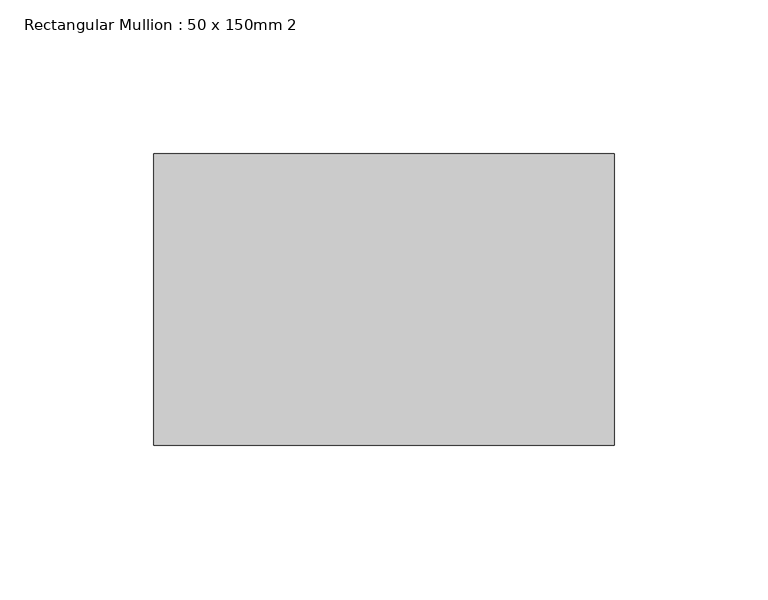
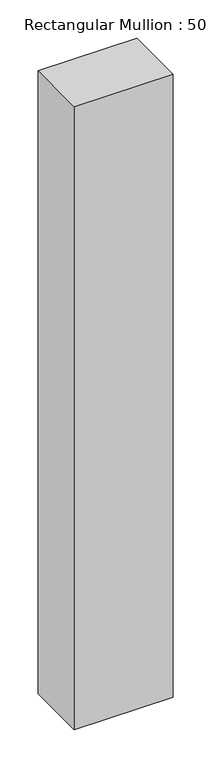
"""IFC4 building model written with IfcOpenShell, lengths in millimetres: member geometry, Rectangular Mullion : 50 x 150mm 2."""

from ifc_helpers import new_model, si_unit, frame, origin, place, context, project, spatial, polyline, outline, extrude, source, transform, mapped, element, save


def rectangular_mullion_50_x_150mm_2_8fa97142(model_context):
    return source(origin(), model_context, "Body", "SweptSolid", [
        extrude(outline(polyline([(0.0, 47.5), (0.0, -47.5), (-150.0, -47.5), (-150.0, 47.5), (0.0, 47.5)])), frame((0.0, 0.0, -998.2824595), z_axis=(0.0, 0.0, 1.0), x_axis=(1.0, 0.0, 0.0)), (0.0, 0.0, 1.0), 998.2824595),
    ])


if __name__ == "__main__":
    model = new_model("IFC4")
    model_context = context("Model", 3, world=origin())
    ifc_project = project(units=[si_unit("LENGTHUNIT", "METRE", prefix="MILLI")], contexts=[model_context])
    site = spatial("IfcSite", under=ifc_project)
    building = spatial("IfcBuilding", under=site)
    placement = place(None, origin())
    rectangular_mullion_50_x_150mm_2_shape = rectangular_mullion_50_x_150mm_2_8fa97142(model_context)
    element("IfcMember", 1, ObjectType="Rectangular Mullion : 50 x 150mm 2", at=placement, inside=building, context=model_context, shape_type="MappedRepresentation", body=[
        mapped(rectangular_mullion_50_x_150mm_2_shape, transform((0.0, 0.0, 0.0), x_axis=(1.0, 0.0, 0.0), y_axis=(0.0, 1.0, 0.0), z_axis=(0.0, 0.0, 1.0))),
    ])
    save(model, "model.ifc")
